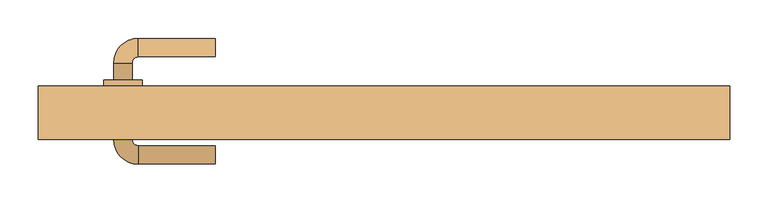
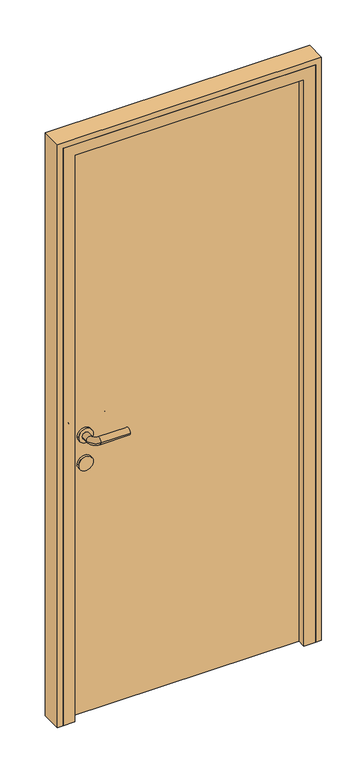
"""IFC4 building model written with IfcOpenShell, lengths in millimetres: door geometry."""

from ifc_helpers import new_model, si_unit, point, frame, frame_2d, origin, origin_with_axes, place, context, project, spatial, polyline, circle_curve, ellipse_curve, trimmed, segment, composite_curve, outline, extrude, faceted_brep, source, transform, mapped, element, save
from ifc_brep_helpers import plane_surface, cylinder_surface, revolved_surface, advanced_brep


def door_2fc90a65(model_context):
    return source(origin(), model_context, "Body", "SolidModel", [
        advanced_brep(
        [(-220.0, 152.0, 1000.0), (-220.0, 128.0, 1000.0), (-320.0, 152.0, 1000.0), (-320.0, 128.0, 1000.0), (-352.0, 120.0, 1000.0), (-328.0, 120.0, 1000.0), (-352.0, 98.0, 1000.0), (-328.0, 98.0, 1000.0), (-352.0, 20.0, 1000.0), (-328.0, 20.0, 1000.0), (-328.0, 42.0, 1000.0), (-352.0, 42.0, 1000.0), (-320.0, -12.0, 1000.0), (-320.0, 12.0, 1000.0), (-220.0, -12.0, 1000.0), (-220.0, 12.0, 1000.0), (-365.0, 98.0, 1000.0), (-315.0, 98.0, 1000.0), (-365.0, 42.0, 1000.0), (-315.0, 42.0, 1000.0)],
        [
            (0, 1, circle_curve(frame((-220.0, 140.0, 1000.0), z_axis=(1.0, 0.0, 0.0), x_axis=(0.0, -1.0, 0.0)), 12.0)),
            (1, 0, circle_curve(frame((-220.0, 140.0, 1000.0), z_axis=(1.0, 0.0, 0.0), x_axis=(0.0, -1.0, 0.0)), 12.0)),
            (0, 2),
            (2, 3, circle_curve(frame((-320.0, 140.0, 1000.0), z_axis=(1.0, 0.0, 0.0), x_axis=(0.0, -1.0, 0.0)), 12.0)),
            (3, 1),
            (3, 2, circle_curve(frame((-320.0, 140.0, 1000.0), z_axis=(1.0, 0.0, 0.0), x_axis=(0.0, -1.0, 0.0)), 12.0)),
            (2, 4, circle_curve(frame((-320.0, 120.0, 1000.0), z_axis=(0.0, 0.0, 1.0), x_axis=(0.0, 1.0, 0.0)), 32.0)),
            (4, 5, circle_curve(frame((-340.0, 120.0, 1000.0), z_axis=(0.0, 1.0, 0.0), x_axis=(1.0, 0.0, 0.0)), 12.0)),
            (5, 3, circle_curve(frame((-320.0, 120.0, 1000.0), z_axis=(0.0, 0.0, -1.0), x_axis=(0.0, 1.0, 0.0)), 8.0)),
            (5, 4, circle_curve(frame((-340.0, 120.0, 1000.0), z_axis=(0.0, 1.0, 0.0), x_axis=(1.0, 0.0, 0.0)), 12.0)),
            (4, 6),
            (6, 7, circle_curve(frame((-340.0, 98.0, 1000.0), z_axis=(0.0, 1.0, 0.0), x_axis=(1.0, 0.0, 0.0)), 12.0)),
            (7, 5),
            (8, 9, circle_curve(frame((-340.0, 20.0, 1000.0), z_axis=(0.0, 1.0, 0.0), x_axis=(1.0, 0.0, 0.0)), 12.0)),
            (9, 10),
            (10, 11, circle_curve(frame((-340.0, 42.0, 1000.0), z_axis=(0.0, -1.0, 0.0), x_axis=(1.0, 0.0, 0.0)), 12.0)),
            (11, 8),
            (7, 6, circle_curve(frame((-340.0, 98.0, 1000.0), z_axis=(0.0, 1.0, 0.0), x_axis=(1.0, 0.0, 0.0)), 12.0)),
            (9, 8, circle_curve(frame((-340.0, 20.0, 1000.0), z_axis=(0.0, 1.0, 0.0), x_axis=(1.0, 0.0, 0.0)), 12.0)),
            (11, 10, circle_curve(frame((-340.0, 42.0, 1000.0), z_axis=(0.0, -1.0, 0.0), x_axis=(1.0, 0.0, 0.0)), 12.0)),
            (8, 12, circle_curve(frame((-320.0, 20.0, 1000.0), z_axis=(0.0, 0.0, 1.0), x_axis=(-1.0, 0.0, 0.0)), 32.0)),
            (12, 13, circle_curve(frame((-320.0, 0.0, 1000.0), z_axis=(-1.0, 0.0, 0.0), x_axis=(0.0, 1.0, 0.0)), 12.0)),
            (13, 9, circle_curve(frame((-320.0, 20.0, 1000.0), z_axis=(0.0, 0.0, -1.0), x_axis=(-1.0, 0.0, 0.0)), 8.0)),
            (13, 12, circle_curve(frame((-320.0, 0.0, 1000.0), z_axis=(-1.0, 0.0, 0.0), x_axis=(0.0, 1.0, 0.0)), 12.0)),
            (14, 15, circle_curve(frame((-220.0, 0.0, 1000.0), z_axis=(1.0, 0.0, 0.0), x_axis=(0.0, 1.0, 0.0)), 12.0)),
            (15, 14, circle_curve(frame((-220.0, 0.0, 1000.0), z_axis=(1.0, 0.0, 0.0), x_axis=(0.0, 1.0, 0.0)), 12.0)),
            (12, 14),
            (15, 13),
            (16, 17, circle_curve(frame((-340.0, 98.0, 1000.0), z_axis=(0.0, 1.0, 0.0), x_axis=(1.0, 0.0, 0.0)), 25.0)),
            (17, 16, circle_curve(frame((-340.0, 98.0, 1000.0), z_axis=(0.0, 1.0, 0.0), x_axis=(1.0, 0.0, 0.0)), 25.0)),
            (18, 19, circle_curve(frame((-340.0, 42.0, 1000.0), z_axis=(0.0, -1.0, 0.0), x_axis=(1.0, 0.0, 0.0)), 25.0)),
            (19, 18, circle_curve(frame((-340.0, 42.0, 1000.0), z_axis=(0.0, -1.0, 0.0), x_axis=(1.0, 0.0, 0.0)), 25.0)),
            (17, 19),
            (18, 16),
        ],
        [
            plane_surface(frame((-220.0, 140.0, 1000.0), z_axis=(1.0, 0.0, 0.0), x_axis=(0.0, 0.0, 1.0))),
            cylinder_surface(frame((-220.0, 140.0, 1000.0), z_axis=(1.0, 0.0, 0.0), x_axis=(0.0, -1.0, 0.0)), 12.0),
            revolved_surface(trimmed(ellipse_curve(frame((-320.0, 140.0, 1000.0), z_axis=(1.0, 0.0, 0.0), x_axis=(0.0, -1.0, 0.0)), 12.0, 12.0), [point((-320.0, 152.0, 1000.0))], [point((-320.0, 128.0, 1000.0))], True, "CARTESIAN"), (-320.0, 120.0, 1000.0), (0.0, 0.0, 1.0)),
            revolved_surface(trimmed(ellipse_curve(frame((-320.0, 140.0, 1000.0), z_axis=(1.0, 0.0, 0.0), x_axis=(0.0, -1.0, 0.0)), 12.0, 12.0), [point((-320.0, 128.0, 1000.0))], [point((-320.0, 152.0, 1000.0))], True, "CARTESIAN"), (-320.0, 120.0, 1000.0), (0.0, 0.0, 1.0)),
            cylinder_surface(frame((-340.0, 120.0, 1000.0), z_axis=(0.0, 1.0, 0.0), x_axis=(1.0, 0.0, 0.0)), 12.0),
            revolved_surface(trimmed(ellipse_curve(frame((-340.0, 20.0, 1000.0), z_axis=(0.0, 1.0, 0.0), x_axis=(1.0, 0.0, 0.0)), 12.0, 12.0), [point((-352.0, 20.0, 1000.0))], [point((-328.0, 20.0, 1000.0))], True, "CARTESIAN"), (-320.0, 20.0, 1000.0), (0.0, 0.0, 1.0)),
            revolved_surface(trimmed(ellipse_curve(frame((-340.0, 20.0, 1000.0), z_axis=(0.0, 1.0, 0.0), x_axis=(1.0, 0.0, 0.0)), 12.0, 12.0), [point((-328.0, 20.0, 1000.0))], [point((-352.0, 20.0, 1000.0))], True, "CARTESIAN"), (-320.0, 20.0, 1000.0), (0.0, 0.0, 1.0)),
            plane_surface(frame((-220.0, 0.0, 1000.0), z_axis=(1.0, 0.0, 0.0), x_axis=(0.0, 0.0, 1.0))),
            cylinder_surface(frame((-320.0, 0.0, 1000.0), z_axis=(-1.0, 0.0, 0.0), x_axis=(0.0, 1.0, 0.0)), 12.0),
            plane_surface(frame((-315.0, 98.0, 1000.0), z_axis=(0.0, 1.0, 0.0), x_axis=(0.0, 0.0, -1.0))),
            plane_surface(frame((-315.0, 42.0, 1000.0), z_axis=(0.0, -1.0, 0.0), x_axis=(0.0, 0.0, 1.0))),
            cylinder_surface(frame((-340.0, 98.0, 1000.0), z_axis=(0.0, -1.0, 0.0), x_axis=(1.0, 0.0, 0.0)), 25.0),
        ],
        [
            (0, [[1, 2]]),
            (1, [[-1, 3, 4, 5]]),
            (1, [[-2, -5, 6, -3]]),
            (2, [[-4, 7, 8, 9]]),
            (3, [[-6, -9, 10, -7]]),
            (4, [[-8, 11, 12, 13]]),
            (4, [[14, 15, 16, 17]]),
            (4, [[-10, -13, 18, -11]]),
            (4, [[19, -17, 20, -15]]),
            (5, [[-14, 21, 22, 23]]),
            (6, [[-19, -23, 24, -21]]),
            (7, [[25, 26]]),
            (8, [[-22, 27, -26, 28]]),
            (8, [[-24, -28, -25, -27]]),
            (9, [[29, 30], [-12, -18]]),
            (10, [[31, 32], [-16, -20]]),
            (11, [[-30, 33, -31, 34]]),
            (11, [[-29, -34, -32, -33]]),
        ],
    ),
        extrude(outline(composite_curve([segment(trimmed(circle_curve(frame_2d((900.0, -340.0)), 25.0), [point((900.0, -365.0))], [point((900.0, -315.0))], False, "CARTESIAN"), True, "CONTINUOUS"), segment(trimmed(circle_curve(frame_2d((900.0, -340.0)), 25.0), [point((900.0, -315.0))], [point((900.0, -365.0))], False, "CARTESIAN"), True, "CONTINUOUS")], self_intersect=False)), frame((0.0, 42.0, 0.0), z_axis=(0.0, 1.0, 0.0), x_axis=(0.0, 0.0, 1.0)), (0.0, 0.0, 1.0), 56.0),
        extrude(outline(polyline([(400.0, 50.0), (-400.0, 50.0), (-400.0, 90.0), (400.0, 90.0), (400.0, 50.0)])), origin_with_axes(), (0.0, 0.0, 1.0), 2050.0),
        extrude(outline(polyline([(0.0, 450.0), (2100.0, 450.0), (2100.0, -450.0), (0.0, -450.0), (0.0, -430.0), (2080.0, -430.0), (2080.0, 430.0), (0.0, 430.0), (0.0, 450.0)])), frame((0.0, 20.0, 0.0), z_axis=(0.0, 1.0, 0.0), x_axis=(0.0, 0.0, 1.0)), (0.0, 0.0, 1.0), 70.0),
        faceted_brep([(-430.0, 20.0, 0.0), (-430.0, 90.0, 0.0), (-400.0, 90.0, 0.0), (-400.0, 50.0, 0.0), (-390.0, 50.0, 0.0), (-390.0, 20.0, 0.0), (-430.0, 20.0, 2080.0), (-430.0, 90.0, 2080.0), (430.0, 90.0, 2080.0), (430.0, 90.0, 0.0), (400.0, 90.0, 0.0), (400.0, 90.0, 2050.0), (-400.0, 90.0, 2050.0), (-400.0, 50.0, 2050.0), (400.0, 50.0, 2050.0), (400.0, 50.0, 0.0), (390.0, 50.0, 0.0), (390.0, 50.0, 2040.0), (-390.0, 50.0, 2040.0), (-390.0, 20.0, 2040.0), (390.0, 20.0, 2040.0), (390.0, 20.0, 0.0), (430.0, 20.0, 0.0), (430.0, 20.0, 2080.0)], [[[0, 1, 2, 3, 4, 5]], [[1, 0, 6, 7]], [[2, 1, 7, 8, 9, 10, 11, 12]], [[3, 2, 12, 13]], [[4, 3, 13, 14, 15, 16, 17, 18]], [[5, 4, 18, 19]], [[0, 5, 19, 20, 21, 22, 23, 6]], [[7, 6, 23, 8]], [[13, 12, 11, 14]], [[19, 18, 17, 20]], [[22, 21, 16, 15, 10, 9]], [[8, 23, 22, 9]], [[14, 11, 10, 15]], [[20, 17, 16, 21]]]),
    ])


if __name__ == "__main__":
    model = new_model("IFC4")
    model_context = context("Model", 3, world=origin())
    ifc_project = project(units=[si_unit("LENGTHUNIT", "METRE", prefix="MILLI")], contexts=[model_context])
    site = spatial("IfcSite", under=ifc_project)
    building = spatial("IfcBuilding", under=site)
    placement = place(None, origin())
    door_shape = door_2fc90a65(model_context)
    element("IfcDoor", 1, at=placement, inside=building, context=model_context, shape_type="MappedRepresentation", body=[
        mapped(door_shape, transform((0.0, 0.0, 0.0), x_axis=(1.0, 0.0, 0.0), y_axis=(0.0, 1.0, 0.0), z_axis=(0.0, 0.0, 1.0))),
    ])
    save(model, "model.ifc")
